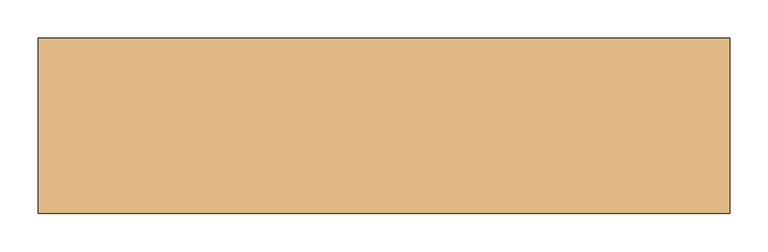
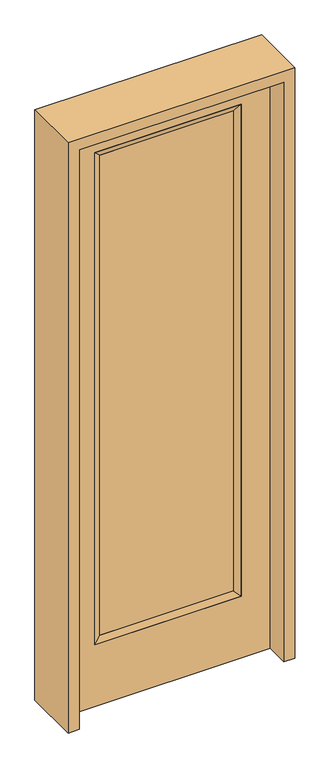
"""IFC4 building model written with IfcOpenShell, lengths in millimetres: door geometry."""

from ifc_helpers import new_model, si_unit, frame, origin, place, context, project, spatial, polyline, outline, extrude, faceted_brep, source, transform, mapped, element, save


def door_1583aab9(model_context):
    return source(origin(), model_context, "Body", "SolidModel", [
        extrude(outline(polyline([(265.5824, -12.7039749), (-265.5824, -12.7039749), (-265.5824, 14.2875), (265.5824, 14.2875), (265.5824, -12.7039749)])), frame((0.0, 0.0, 285.75), z_axis=(0.0, 0.0, 1.0), x_axis=(1.0, 0.0, 0.0)), (0.0, 0.0, 1.0), 2019.3),
        faceted_brep([(265.5824, 14.2875, 2305.05), (290.9824, 22.225, 2330.45), (290.9824, 22.225, 260.35), (265.5824, 14.2875, 285.75), (290.9824, -22.225, 2330.45), (290.9824, -22.225, 260.35), (-290.9824, 22.225, 260.35), (-265.5824, 14.2875, 285.75), (265.5824, -12.7039749, 2305.05), (265.5824, -12.7039749, 285.75), (-265.5824, -12.7039749, 285.75), (-290.9824, -22.225, 260.35), (-290.9824, 22.225, 2330.45), (-265.5824, 14.2875, 2305.05), (-265.5824, -12.7039749, 2305.05), (-290.9824, -22.225, 2330.45)], [[[0, 1, 2, 3]], [[1, 4, 5, 2]], [[3, 2, 6, 7]], [[8, 0, 3, 9]], [[9, 3, 7, 10]], [[4, 8, 9, 5]], [[5, 9, 10, 11]], [[2, 5, 11, 6]], [[7, 6, 12, 13]], [[10, 7, 13, 14]], [[11, 10, 14, 15]], [[6, 11, 15, 12]], [[13, 12, 1, 0]], [[14, 13, 0, 8]], [[15, 14, 8, 4]], [[12, 15, 4, 1]]]),
        extrude(outline(polyline([(0.0, -406.4), (0.0, 406.4), (2438.4, 406.4), (2438.4, -406.4), (0.0, -406.4)]), holes=[polyline([(260.35, -290.9824), (2330.45, -290.9824), (2330.45, 290.9824), (260.35, 290.9824), (260.35, -290.9824)])]), frame((0.0, -22.225, 0.0), z_axis=(0.0, 1.0, 0.0), x_axis=(0.0, 0.0, 1.0)), (0.0, 0.0, 1.0), 44.45),
        extrude(outline(polyline([(2482.85, -450.85), (0.0, -450.85), (0.0, -406.4), (2438.4, -406.4), (2438.4, 406.4), (0.0, 406.4), (0.0, 450.85), (2482.85, 450.85), (2482.85, -450.85)])), frame((0.0, -114.3, 0.0), z_axis=(0.0, 1.0, 0.0), x_axis=(0.0, 0.0, 1.0)), (0.0, 0.0, 1.0), 228.6),
    ])


if __name__ == "__main__":
    model = new_model("IFC4")
    model_context = context("Model", 3, world=origin())
    ifc_project = project(units=[si_unit("LENGTHUNIT", "METRE", prefix="MILLI")], contexts=[model_context])
    site = spatial("IfcSite", under=ifc_project)
    building = spatial("IfcBuilding", under=site)
    placement = place(None, origin())
    door_shape = door_1583aab9(model_context)
    element("IfcDoor", 1, at=placement, inside=building, context=model_context, shape_type="MappedRepresentation", body=[
        mapped(door_shape, transform((0.0, 0.0, 0.0), x_axis=(1.0, 0.0, 0.0), y_axis=(0.0, 1.0, 0.0), z_axis=(0.0, 0.0, 1.0))),
    ])
    save(model, "model.ifc")
